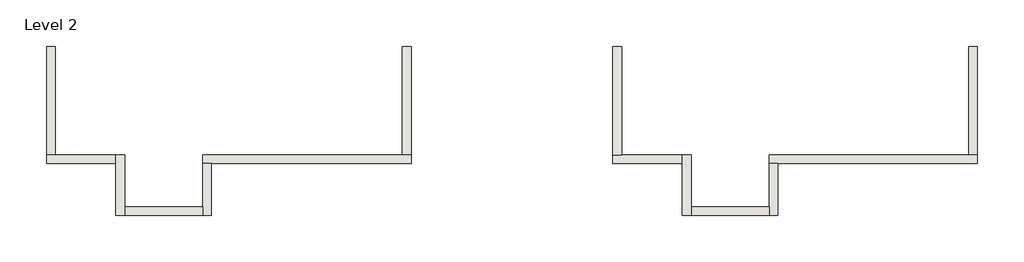
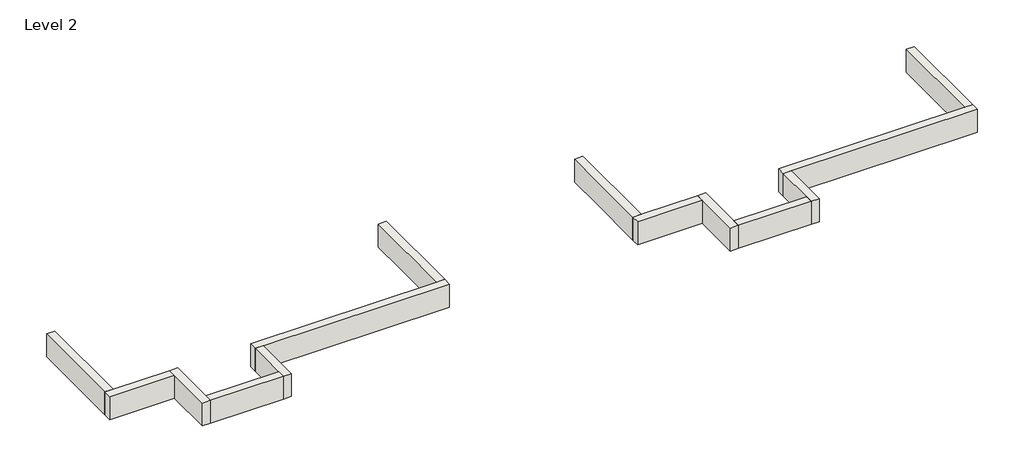
# One storey: 14 walls.
"""IFC4 building model written with IfcOpenShell, lengths in millimetres."""

from ifc_helpers import new_model, si_unit, frame, origin, place, context, project, spatial, polyline, outline, extrude, faceted_brep, element, save

model = new_model("IFC4")

# Units and contexts
model_context = context("Model", 3, world=origin())
ifc_project = project(units=[si_unit("LENGTHUNIT", "METRE", prefix="MILLI")], contexts=[model_context])

# Site, building, storey
site = spatial("IfcSite", under=ifc_project)
building = spatial("IfcBuilding", under=site)
storey = spatial("IfcBuildingStorey", under=building, Name="Level 2", Elevation=3048.0)

# Walls
placement = place(None, origin())
element("IfcWall", 1, ObjectType="Generic - 8\" Brick", at=placement, inside=storey, context=model_context, shape_type="Brep", body=[
    faceted_brep([(6705.5711508, 1422.3976187, 3048.0), (6502.3711508, 1422.3976187, 3048.0), (4876.757857, 1422.3976187, 3048.0), (3657.557857, 1422.3976187, 3048.0), (1828.757857, 1422.3976187, 3048.0), (1828.757857, 1422.3976187, 3657.6), (6502.3711508, 1422.3976187, 3657.6), (6705.5711508, 1422.3976187, 3657.6), (6705.5711508, 1219.1976187, 3048.0), (6705.5711508, 1219.1976187, 3657.6), (2031.957857, 1219.1976187, 3657.6), (1828.757857, 1219.1976187, 3657.6), (1828.757857, 1219.1976187, 3048.0), (2031.957857, 1219.1976187, 3048.0), (3657.557857, 1219.1976187, 3048.0), (4876.757857, 1219.1976187, 3048.0)], [[[0, 1, 2, 3, 4, 5, 6, 7]], [[8, 9, 10, 11, 12, 13, 14, 15]], [[4, 3, 2, 1, 0, 8, 15, 14, 13, 12]], [[7, 6, 5, 11, 10, 9]], [[5, 4, 12, 11]], [[0, 7, 9, 8]]]),
])
element("IfcWall", 2, ObjectType="Generic - 8\" Brick", at=placement, inside=storey, context=model_context, shape_type="Brep", body=[
    faceted_brep([(1828.757857, 1219.1976187, 3048.0), (1828.757857, 203.2, 3048.0), (1828.757857, 0.0, 3048.0), (1828.757857, 0.0, 3657.6), (1828.757857, 203.2, 3657.6), (1828.757857, 1219.1976187, 3657.6), (2031.957857, 1219.1976187, 3048.0), (2031.957857, 1219.1976187, 3657.6), (2031.957857, 0.0, 3657.6), (2031.957857, 0.0, 3048.0)], [[[0, 1, 2, 3, 4, 5]], [[6, 7, 8, 9]], [[2, 1, 0, 6, 9]], [[5, 4, 3, 8, 7]], [[0, 5, 7, 6]], [[3, 2, 9, 8]]]),
])
element("IfcWall", 3, ObjectType="Generic - 8\" Brick", at=placement, inside=storey, context=model_context, shape_type="SweptSolid", body=[
    extrude(outline(polyline([(-0.042143, 203.2), (1828.757857, 203.2), (1828.757857, 0.0), (-0.042143, 0.0), (-0.042143, 203.2)])), frame((0.0, 0.0, 3048.0), z_axis=(0.0, 0.0, 1.0), x_axis=(1.0, 0.0, 0.0)), (0.0, 0.0, 1.0), 609.6),
])
element("IfcWall", 4, ObjectType="Generic - 8\" Brick", at=placement, inside=storey, context=model_context, shape_type="Brep", body=[
    faceted_brep([(-0.042143, 0.0, 3048.0), (-0.042143, 203.2, 3048.0), (-0.042143, 1412.08125, 3048.0), (-0.042143, 1422.3976187, 3048.0), (-0.042143, 1422.3976187, 3657.6), (-0.042143, 203.2, 3657.6), (-0.042143, 0.0, 3657.6), (-203.242143, 0.0, 3048.0), (-203.242143, 0.0, 3657.6), (-203.242143, 1219.1976187, 3657.6), (-203.242143, 1422.3976187, 3657.6), (-203.242143, 1422.3976187, 3048.0), (-203.242143, 1412.08125, 3048.0), (-203.242143, 1219.1976187, 3048.0)], [[[0, 1, 2, 3, 4, 5, 6]], [[7, 8, 9, 10, 11, 12, 13]], [[3, 2, 1, 0, 7, 13, 12, 11]], [[6, 5, 4, 10, 9, 8]], [[0, 6, 8, 7]], [[4, 3, 11, 10]]]),
])
element("IfcWall", 5, ObjectType="Generic - 8\" Brick", at=placement, inside=storey, context=model_context, shape_type="Brep", body=[
    faceted_brep([(-203.242143, 1422.3976187, 3048.0), (-1625.610393, 1422.3976187, 3048.0), (-1828.810393, 1422.3976187, 3048.0), (-1828.810393, 1422.3976187, 3657.6), (-1625.610393, 1422.3976187, 3657.6), (-203.242143, 1422.3976187, 3657.6), (-203.242143, 1219.1976187, 3048.0), (-203.242143, 1219.1976187, 3657.6), (-1828.810393, 1219.1976187, 3657.6), (-1828.810393, 1219.1976187, 3048.0)], [[[0, 1, 2, 3, 4, 5]], [[6, 7, 8, 9]], [[2, 1, 0, 6, 9]], [[5, 4, 3, 8, 7]], [[0, 5, 7, 6]], [[3, 2, 9, 8]]]),
])
element("IfcWall", 6, ObjectType="Generic - 8\" Brick", at=placement, inside=storey, context=model_context, shape_type="Brep", body=[
    faceted_brep([(-1625.610393, 1422.3976187, 3048.0), (-1625.610393, 3047.96825, 3048.0), (-1625.610393, 3962.36825, 3048.0), (-1625.610393, 3962.36825, 3657.6), (-1625.610393, 1422.3976187, 3657.6), (-1828.810393, 1422.3976187, 3048.0), (-1828.810393, 1422.3976187, 3657.6), (-1828.810393, 3962.36825, 3657.6), (-1828.810393, 3962.36825, 3048.0), (-1828.810393, 3047.96825, 3048.0)], [[[0, 1, 2, 3, 4]], [[5, 6, 7, 8, 9]], [[2, 1, 0, 5, 9, 8]], [[3, 2, 8, 7]], [[4, 3, 7, 6]], [[0, 4, 6, 5]]]),
])
element("IfcWall", 7, ObjectType="Generic - 8\" Brick", at=placement, inside=storey, context=model_context, shape_type="Brep", body=[
    faceted_brep([(6502.3711508, 3962.36825, 3048.0), (6502.3711508, 3047.96825, 3048.0), (6502.3711508, 1422.3976187, 3048.0), (6502.3711508, 1422.3976187, 3657.6), (6502.3711508, 3962.36825, 3657.6), (6705.5711508, 3962.36825, 3048.0), (6705.5711508, 3962.36825, 3657.6), (6705.5711508, 1422.3976187, 3657.6), (6705.5711508, 1422.3976187, 3048.0), (6705.5711508, 3047.96825, 3048.0)], [[[0, 1, 2, 3, 4]], [[5, 6, 7, 8, 9]], [[2, 1, 0, 5, 9, 8]], [[4, 3, 7, 6]], [[0, 4, 6, 5]], [[3, 2, 8, 7]]]),
])
element("IfcWall", 8, ObjectType="Generic - 8\" Brick", at=placement, inside=storey, context=model_context, shape_type="Brep", body=[
    faceted_brep([(19964.3711508, 1422.3976187, 3048.0), (19761.1711508, 1422.3976187, 3048.0), (18135.557857, 1422.3976187, 3048.0), (16916.357857, 1422.3976187, 3048.0), (15087.557857, 1422.3976187, 3048.0), (15087.557857, 1422.3976187, 3657.6), (19761.1711508, 1422.3976187, 3657.6), (19964.3711508, 1422.3976187, 3657.6), (19964.3711508, 1219.1976187, 3048.0), (19964.3711508, 1219.1976187, 3657.6), (15290.757857, 1219.1976187, 3657.6), (15087.557857, 1219.1976187, 3657.6), (15087.557857, 1219.1976187, 3048.0), (15290.757857, 1219.1976187, 3048.0), (16916.357857, 1219.1976187, 3048.0), (18135.557857, 1219.1976187, 3048.0)], [[[0, 1, 2, 3, 4, 5, 6, 7]], [[8, 9, 10, 11, 12, 13, 14, 15]], [[4, 3, 2, 1, 0, 8, 15, 14, 13, 12]], [[7, 6, 5, 11, 10, 9]], [[5, 4, 12, 11]], [[0, 7, 9, 8]]]),
])
element("IfcWall", 9, ObjectType="Generic - 8\" Brick", at=placement, inside=storey, context=model_context, shape_type="Brep", body=[
    faceted_brep([(15087.557857, 1219.1976187, 3048.0), (15087.557857, 203.2, 3048.0), (15087.557857, 0.0, 3048.0), (15087.557857, 0.0, 3657.6), (15087.557857, 203.2, 3657.6), (15087.557857, 1219.1976187, 3657.6), (15290.757857, 1219.1976187, 3048.0), (15290.757857, 1219.1976187, 3657.6), (15290.757857, 0.0, 3657.6), (15290.757857, 0.0, 3048.0)], [[[0, 1, 2, 3, 4, 5]], [[6, 7, 8, 9]], [[2, 1, 0, 6, 9]], [[5, 4, 3, 8, 7]], [[0, 5, 7, 6]], [[3, 2, 9, 8]]]),
])
element("IfcWall", 10, ObjectType="Generic - 8\" Brick", at=placement, inside=storey, context=model_context, shape_type="SweptSolid", body=[
    extrude(outline(polyline([(13258.757857, 203.2), (15087.557857, 203.2), (15087.557857, 0.0), (13258.757857, 0.0), (13258.757857, 203.2)])), frame((0.0, 0.0, 3048.0), z_axis=(0.0, 0.0, 1.0), x_axis=(1.0, 0.0, 0.0)), (0.0, 0.0, 1.0), 609.6),
])
element("IfcWall", 11, ObjectType="Generic - 8\" Brick", at=placement, inside=storey, context=model_context, shape_type="Brep", body=[
    faceted_brep([(13258.757857, 0.0, 3048.0), (13258.757857, 203.2, 3048.0), (13258.757857, 1390.65, 3048.0), (13258.757857, 1422.3976187, 3048.0), (13258.757857, 1422.3976187, 3657.6), (13258.757857, 203.2, 3657.6), (13258.757857, 0.0, 3657.6), (13055.557857, 0.0, 3048.0), (13055.557857, 0.0, 3657.6), (13055.557857, 1219.1976187, 3657.6), (13055.557857, 1422.3976187, 3657.6), (13055.557857, 1422.3976187, 3048.0), (13055.557857, 1390.65, 3048.0), (13055.557857, 1219.1976187, 3048.0)], [[[0, 1, 2, 3, 4, 5, 6]], [[7, 8, 9, 10, 11, 12, 13]], [[3, 2, 1, 0, 7, 13, 12, 11]], [[6, 5, 4, 10, 9, 8]], [[0, 6, 8, 7]], [[4, 3, 11, 10]]]),
])
element("IfcWall", 12, ObjectType="Generic - 8\" Brick", at=placement, inside=storey, context=model_context, shape_type="Brep", body=[
    faceted_brep([(13055.557857, 1422.3976187, 3048.0), (11633.189607, 1422.3976187, 3048.0), (11429.989607, 1422.3976187, 3048.0), (11429.989607, 1422.3976187, 3657.6), (11633.189607, 1422.3976187, 3657.6), (13055.557857, 1422.3976187, 3657.6), (13055.557857, 1219.1976187, 3048.0), (13055.557857, 1219.1976187, 3657.6), (11429.989607, 1219.1976187, 3657.6), (11429.989607, 1219.1976187, 3048.0)], [[[0, 1, 2, 3, 4, 5]], [[6, 7, 8, 9]], [[2, 1, 0, 6, 9]], [[5, 4, 3, 8, 7]], [[0, 5, 7, 6]], [[3, 2, 9, 8]]]),
])
element("IfcWall", 13, ObjectType="Generic - 8\" Brick", at=placement, inside=storey, context=model_context, shape_type="Brep", body=[
    faceted_brep([(11633.189607, 1422.3976187, 3048.0), (11633.189607, 3047.96825, 3048.0), (11633.189607, 3962.36825, 3048.0), (11633.189607, 3962.36825, 3657.6), (11633.189607, 1422.3976187, 3657.6), (11429.989607, 1422.3976187, 3048.0), (11429.989607, 1422.3976187, 3657.6), (11429.989607, 3962.36825, 3657.6), (11429.989607, 3962.36825, 3048.0), (11429.989607, 3047.96825, 3048.0)], [[[0, 1, 2, 3, 4]], [[5, 6, 7, 8, 9]], [[2, 1, 0, 5, 9, 8]], [[3, 2, 8, 7]], [[4, 3, 7, 6]], [[0, 4, 6, 5]]]),
])
element("IfcWall", 14, ObjectType="Generic - 8\" Brick", at=placement, inside=storey, context=model_context, shape_type="Brep", body=[
    faceted_brep([(19761.1711508, 3962.36825, 3048.0), (19761.1711508, 3047.96825, 3048.0), (19761.1711508, 1422.3976187, 3048.0), (19761.1711508, 1422.3976187, 3657.6), (19761.1711508, 3962.36825, 3657.6), (19964.3711508, 3962.36825, 3048.0), (19964.3711508, 3962.36825, 3657.6), (19964.3711508, 1422.3976187, 3657.6), (19964.3711508, 1422.3976187, 3048.0), (19964.3711508, 3047.96825, 3048.0)], [[[0, 1, 2, 3, 4]], [[5, 6, 7, 8, 9]], [[2, 1, 0, 5, 9, 8]], [[4, 3, 7, 6]], [[0, 4, 6, 5]], [[3, 2, 8, 7]]]),
])

save(model, "model.ifc")
